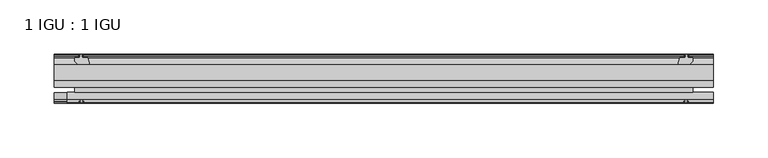
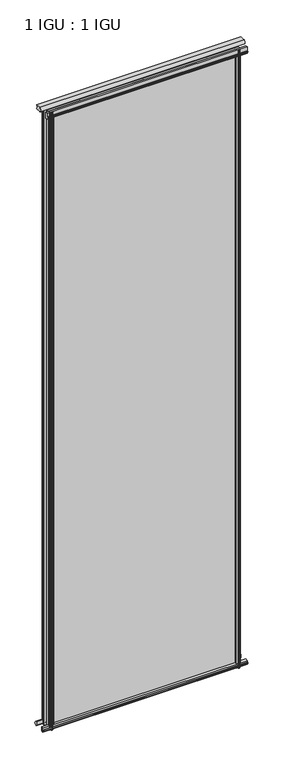
"""IFC4 building model written with IfcOpenShell, lengths in millimetres: plate geometry, 1 IGU : 1 IGU."""

from ifc_helpers import new_model, si_unit, point, frame, frame_2d, origin, place, context, project, spatial, polyline, circle_curve, trimmed, segment, composite_curve, outline, extrude, source, transform, mapped, element, save


def plate_1_igu_1_igu_c2b70616(model_context):
    return source(origin(), model_context, "Body", "SweptSolid", [
        extrude(outline(polyline([(-285.7500002, -38.6468937), (285.7500002, -38.6468937), (285.7500002, -44.9460938), (-285.7500002, -44.9460938), (-285.7500002, -38.6468937)])), frame((0.0, 0.0, -12.7), z_axis=(0.0, 0.0, 1.0), x_axis=(1.0, 0.0, 0.0)), (0.0, 0.0, 1.0), 1944.7764181),
        extrude(outline(polyline([(-285.7500002, -19.5460937), (285.7500002, -19.5460937), (285.7500002, -25.8960938), (-285.7500002, -25.8960938), (-285.7500002, -19.5460937)])), frame((0.0, 0.0, -12.7), z_axis=(0.0, 0.0, 1.0), x_axis=(1.0, 0.0, 0.0)), (0.0, 0.0, 1.0), 1944.7764181),
        extrude(outline(polyline([(-44.9460937, 1.7177181), (-44.9460937, -9.1036578), (-48.3496937, -11.938), (-51.2960937, -11.938), (-51.2960937, -7.493), (-53.6762907, -7.112), (-53.2163575, -8.5275291), (-54.0175717, -8.5275291), (-54.7250937, -6.35), (-54.0175717, -4.1724709), (-53.2163575, -4.1724709), (-53.6762907, -5.588), (-51.2960937, -5.207), (-51.2960937, 0.0), (-44.9460937, 1.7177181)])), frame((-304.8000002, 0.0, 0.0), z_axis=(1.0, 0.0, 0.0), x_axis=(0.0, 1.0, 0.0)), (0.0, 0.0, 1.0), 609.6000003),
        extrude(outline(polyline([(-13.1960937, -12.4587), (-16.1424937, -12.4587), (-19.5460937, -9.6243578), (-19.5460937, 1.1970181), (-13.1960937, -0.5207), (-13.1960937, -5.7277), (-10.8158968, -6.1087), (-11.27583, -4.6931709), (-10.4746158, -4.6931709), (-9.7670937, -6.8707), (-10.4746158, -9.0482291), (-11.27583, -9.0482291), (-10.8158968, -7.6327), (-13.1960937, -8.0137), (-13.1960937, -12.4587)])), frame((-304.8000002, 0.0, 0.0), z_axis=(1.0, 0.0, 0.0), x_axis=(0.0, 1.0, 0.0)), (0.0, 0.0, 1.0), 609.6000003),
        extrude(outline(composite_curve([segment(polyline([(-44.9380025, 1912.9385159), (-51.2960937, 1912.9385159), (-51.2960937, 1917.7645159), (-54.1955564, 1917.7645159), (-54.8194621, 1918.7418083)]), True, "CONTINUOUS"), segment(trimmed(circle_curve(frame_2d((-53.9630937, 1919.2885159)), 1.016), [point((-54.8194621, 1918.7418083))], [point((-54.8194621, 1919.8352235))], False, "CARTESIAN"), True, "CONTINUOUS"), segment(polyline([(-54.8194621, 1919.8352235), (-54.1955564, 1920.8125159), (-51.2878033, 1920.8125159), (-51.2916866, 1931.9771994), (-44.9380025, 1931.9771994), (-44.9380025, 1912.9385159)]), True, "CONTINUOUS")], self_intersect=False)), frame((-292.542294, 0.0, 0.0), z_axis=(1.0, 0.0, 0.0), x_axis=(0.0, 1.0, 0.0)), (0.0, 0.0, 1.0), 597.3422942),
        extrude(outline(polyline([(271.8529821, -19.5460938), (273.5707002, -13.1960938), (278.7777002, -13.1960938), (279.1587002, -10.8158968), (277.7431711, -11.27583), (277.7431711, -10.4746158), (279.9207002, -9.7670938), (282.0982292, -10.4746158), (282.0982292, -11.27583), (280.6827002, -10.8158968), (281.0637002, -13.1960938), (285.5087002, -13.1960938), (285.5087002, -16.1424938), (282.674358, -19.5460938), (271.8529821, -19.5460938)])), frame((0.0, 0.0, -12.7), z_axis=(0.0, 0.0, 1.0), x_axis=(1.0, 0.0, 0.0)), (0.0, 0.0, 1.0), 1944.7764183),
        extrude(outline(polyline([(271.3322821, -44.9460938), (282.153658, -44.9460938), (284.9880002, -48.3496938), (284.9880002, -51.2960938), (280.5430002, -51.2960938), (280.1620002, -53.6762907), (281.5775292, -53.2163575), (281.5775292, -54.0175717), (279.4000002, -54.7250938), (277.2224711, -54.0175717), (277.2224711, -53.2163575), (278.6380002, -53.6762907), (278.2570002, -51.2960938), (273.0500002, -51.2960938), (271.3322821, -44.9460938)])), frame((0.0, 0.0, -12.7), z_axis=(0.0, 0.0, 1.0), x_axis=(1.0, 0.0, 0.0)), (0.0, 0.0, 1.0), 1944.7764183),
        extrude(outline(polyline([(-279.9207002, -9.7670937), (-277.7431711, -10.4746158), (-277.7431711, -11.27583), (-279.1587002, -10.8158968), (-278.7777002, -13.1960937), (-273.5707002, -13.1960937), (-271.8529821, -19.5460937), (-282.674358, -19.5460937), (-285.5087002, -16.1424937), (-285.5087002, -13.1960937), (-281.0637002, -13.1960937), (-280.6827002, -10.8158968), (-282.0982292, -11.27583), (-282.0982292, -10.4746158), (-279.9207002, -9.7670937)])), frame((0.0, 0.0, -12.7), z_axis=(0.0, 0.0, 1.0), x_axis=(1.0, 0.0, 0.0)), (0.0, 0.0, 1.0), 1944.7764183),
        extrude(outline(polyline([(-284.9880002, -48.3496937), (-282.153658, -44.9460937), (-271.3322821, -44.9460937), (-273.0500002, -51.2960937), (-278.2570002, -51.2960937), (-278.6380002, -53.6762907), (-277.2224711, -53.2163575), (-277.2224711, -54.0175717), (-279.4000002, -54.7250937), (-281.5775292, -54.0175717), (-281.5775292, -53.2163575), (-280.1620002, -53.6762907), (-280.5430002, -51.2960937), (-284.9880002, -51.2960937), (-284.9880002, -48.3496937)])), frame((0.0, 0.0, -12.7), z_axis=(0.0, 0.0, 1.0), x_axis=(1.0, 0.0, 0.0)), (0.0, 0.0, 1.0), 1944.7764183),
        extrude(outline(composite_curve([segment(trimmed(circle_curve(frame_2d((-9.2245666, 1938.3899974)), 12.1106873), [point((-19.5460937, 1944.7252026))], [point((-19.5460937, 1932.0547922))], True, "CARTESIAN"), True, "CONTINUOUS"), segment(polyline([(-19.5460937, 1932.0547922), (-33.8757421, 1932.0547922)]), True, "CONTINUOUS"), segment(trimmed(circle_curve(frame_2d((-33.8757421, 1938.3899974)), 6.3352052), [point((-33.8757421, 1932.0547922))], [point((-33.8757421, 1944.7252026))], False, "CARTESIAN"), True, "CONTINUOUS"), segment(polyline([(-33.8757421, 1944.7252026), (-19.5460937, 1944.7252026)]), True, "CONTINUOUS")], self_intersect=False)), frame((-304.8000002, 0.0, 0.0), z_axis=(1.0, 0.0, 0.0), x_axis=(0.0, 1.0, 0.0)), (0.0, 0.0, 1.0), 609.6000003),
    ])


if __name__ == "__main__":
    model = new_model("IFC4")
    model_context = context("Model", 3, world=origin())
    ifc_project = project(units=[si_unit("LENGTHUNIT", "METRE", prefix="MILLI")], contexts=[model_context])
    site = spatial("IfcSite", under=ifc_project)
    building = spatial("IfcBuilding", under=site)
    placement = place(None, origin())
    plate_1_igu_1_igu_shape = plate_1_igu_1_igu_c2b70616(model_context)
    element("IfcPlate", 1, ObjectType="1 IGU : 1 IGU", at=placement, inside=building, context=model_context, shape_type="MappedRepresentation", body=[
        mapped(plate_1_igu_1_igu_shape, transform((0.0, 0.0, 0.0), x_axis=(1.0, 0.0, 0.0), y_axis=(0.0, 1.0, 0.0), z_axis=(0.0, 0.0, 1.0))),
    ])
    save(model, "model.ifc")
